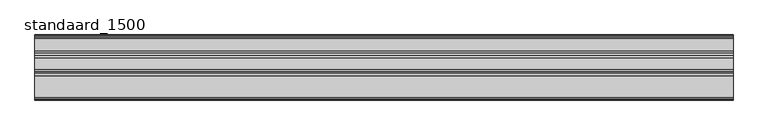
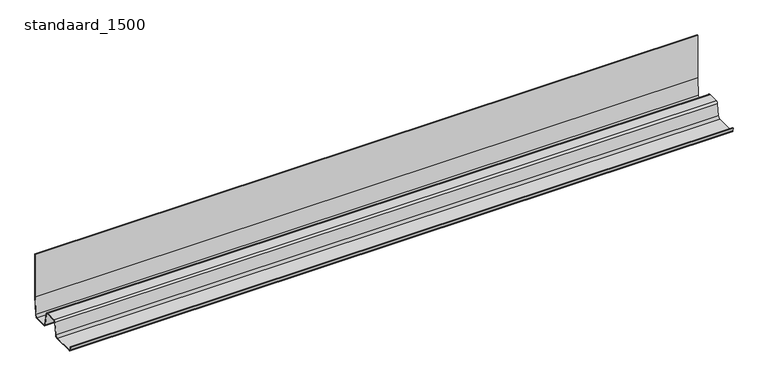
"""IFC4 building model written with IfcOpenShell, lengths in millimetres: proxy geometry, standaard_1500."""

import ifcopenshell
import ifcopenshell.guid

model = None  # the IFC model being written
_history = None  # IfcOwnerHistory: only IFC2X3 demands one
_inside = {}  # id of a spatial element -> (the spatial element, [elements in it])
_under = {}  # id of a project, library or spatial element -> (it, [spatial elements below it])
_declared = {}  # id of a project -> (the project, [libraries it declares])
_typed = {}  # id of a type object -> (the type object, [elements of that type])
_made_of = {}  # id of a material, layer set ... -> (it, [elements and type objects made of it])


def new_model(schema):
    """Start an empty IFC model of exactly this schema.

    Asked for "IFC4X3", IfcOpenShell would pick the latest addendum, in which some entities
    have other attributes; the version numbers below select the first issue.
    IFC2X3 requires an IfcOwnerHistory on every rooted entity: one is made here for all.
    """
    global model, _history
    if schema == "IFC4X3":
        model = ifcopenshell.file(schema_version=(4, 3, 0, 0))
    else:
        model = ifcopenshell.file(schema=schema)
    _inside.clear()
    _under.clear()
    _declared.clear()
    _typed.clear()
    _made_of.clear()
    _history = None
    if model.schema == "IFC2X3":
        org = make("IfcOrganization", Name="unknown")
        user = make(
            "IfcPersonAndOrganization",
            ThePerson=make("IfcPerson", FamilyName="unknown"),
            TheOrganization=org,
        )
        app = make(
            "IfcApplication",
            ApplicationDeveloper=org,
            Version="unknown",
            ApplicationFullName="unknown",
            ApplicationIdentifier="unknown",
        )
        _history = make(
            "IfcOwnerHistory",
            OwningUser=user,
            OwningApplication=app,
            ChangeAction="ADDED",
            CreationDate=0,
        )
    return model


def make(cls, **values):
    """One entity of the class cls with the attributes given. An attribute that is None is left unset."""
    return model.create_entity(
        cls, **{name: value for name, value in values.items() if value is not None}
    )


def rooted(cls, **values):
    """An entity with a GlobalId (a new one), such as an element, a storey or a relation."""
    return make(cls, GlobalId=ifcopenshell.guid.new(), OwnerHistory=_history, **values)


def si_unit(unit_type, name, prefix=None):
    """IfcSIUnit, for example si_unit("LENGTHUNIT", "METRE", prefix="MILLI")."""
    return make("IfcSIUnit", UnitType=unit_type, Prefix=prefix, Name=name)


def assignment(units):
    """IfcUnitAssignment: the units of a project."""
    return None if units is None else make("IfcUnitAssignment", Units=units)


def point(xyz):
    """IfcCartesianPoint."""
    return None if xyz is None else make("IfcCartesianPoint", Coordinates=xyz)


def direction(xyz):
    """IfcDirection."""
    return None if xyz is None else make("IfcDirection", DirectionRatios=xyz)


def frame(location, z_axis=None, x_axis=None):
    """IfcAxis2Placement3D, a coordinate frame: its origin and axes. An axis left out is left unset."""
    return make(
        "IfcAxis2Placement3D",
        Location=point(location),
        Axis=direction(z_axis),
        RefDirection=direction(x_axis),
    )


def frame_2d(location, x_axis=None):
    """IfcAxis2Placement2D, a coordinate frame in the plane: its origin and x axis."""
    return make(
        "IfcAxis2Placement2D", Location=point(location), RefDirection=direction(x_axis)
    )


def origin():
    """The frame at (0, 0, 0) with its axes left unset."""
    return frame((0.0, 0.0, 0.0))


def place(relative_to, where):
    """IfcLocalPlacement: puts the frame where relative to a parent placement (None: the world)."""
    return make(
        "IfcLocalPlacement", PlacementRelTo=relative_to, RelativePlacement=where
    )


def context(
    kind, dimensions, precision=None, world=None, true_north=None, identifier=None
):
    """IfcGeometricRepresentationContext, for example the 3D "Model" context."""
    return make(
        "IfcGeometricRepresentationContext",
        ContextIdentifier=identifier,
        ContextType=kind,
        CoordinateSpaceDimension=dimensions,
        Precision=precision,
        WorldCoordinateSystem=world,
        TrueNorth=true_north,
    )


def project(units=None, contexts=None):
    """IfcProject with its units and contexts."""
    return rooted(
        "IfcProject",
        Name="project",
        RepresentationContexts=contexts,
        UnitsInContext=assignment(units),
    )


def spatial(cls, under=None, at=None, **own):
    """A site, building, storey or space (cls), placed at a placement, below another one or the project."""
    s = rooted(cls, ObjectPlacement=at, **own)
    if under is not None:
        _under.setdefault(under.id(), (under, []))[1].append(s)
    return s


def polyline(points):
    """IfcPolyline through the points."""
    return make("IfcPolyline", Points=[point(p) for p in points])


def circle_curve(where, radius):
    """IfcCircle in the frame where."""
    return make("IfcCircle", Position=where, Radius=radius)


def trimmed(basis, trim1, trim2, sense, master):
    """IfcTrimmedCurve: the piece of a basis curve between two trims."""
    return make(
        "IfcTrimmedCurve",
        BasisCurve=basis,
        Trim1=trim1,
        Trim2=trim2,
        SenseAgreement=sense,
        MasterRepresentation=master,
    )


def segment(curve, same_sense, transition):
    """IfcCompositeCurveSegment."""
    return make(
        "IfcCompositeCurveSegment",
        Transition=transition,
        SameSense=same_sense,
        ParentCurve=curve,
    )


def composite_curve(segments, self_intersect=None):
    """IfcCompositeCurve: segments joined end to end."""
    return make("IfcCompositeCurve", Segments=segments, SelfIntersect=self_intersect)


def outline(outer, holes=None, kind="AREA"):
    """IfcArbitraryClosedProfileDef: a profile drawn as a closed curve; with holes, ...WithVoids."""
    if holes is None:
        return make("IfcArbitraryClosedProfileDef", ProfileType=kind, OuterCurve=outer)
    return make(
        "IfcArbitraryProfileDefWithVoids",
        ProfileType=kind,
        OuterCurve=outer,
        InnerCurves=holes,
    )


def extrude(swept, where, along, depth):
    """IfcExtrudedAreaSolid: the profile swept, set in the frame where, extruded along a direction by depth."""
    return make(
        "IfcExtrudedAreaSolid",
        SweptArea=swept,
        Position=where,
        ExtrudedDirection=direction(along),
        Depth=depth,
    )


def shape(context_of_items, identifier, shape_type, items):
    """IfcShapeRepresentation: the items that make up one representation, for example the "Body"."""
    return make(
        "IfcShapeRepresentation",
        ContextOfItems=context_of_items,
        RepresentationIdentifier=identifier,
        RepresentationType=shape_type,
        Items=items,
    )


def source(mapping_origin, context_of_items, identifier, shape_type, items):
    """IfcRepresentationMap: a shape defined once, which mapped items show again and again."""
    return make(
        "IfcRepresentationMap",
        MappingOrigin=mapping_origin,
        MappedRepresentation=shape(context_of_items, identifier, shape_type, items),
    )


def transform(
    local_origin,
    x_axis=None,
    y_axis=None,
    z_axis=None,
    scale=None,
    scale2=None,
    scale3=None,
    uniform=True,
):
    """IfcCartesianTransformationOperator3D, or its non-uniform kind. x_axis, y_axis, z_axis: its Axis1, 2, 3."""
    if uniform:
        return make(
            "IfcCartesianTransformationOperator3D",
            Axis1=direction(x_axis),
            Axis2=direction(y_axis),
            LocalOrigin=point(local_origin),
            Scale=scale,
            Axis3=direction(z_axis),
        )
    return make(
        "IfcCartesianTransformationOperator3DnonUniform",
        Axis1=direction(x_axis),
        Axis2=direction(y_axis),
        LocalOrigin=point(local_origin),
        Scale=scale,
        Axis3=direction(z_axis),
        Scale2=scale2,
        Scale3=scale3,
    )


def mapped(mapping_source, mapping_target):
    """IfcMappedItem: shows the shape of a source again, moved by a transform."""
    return make(
        "IfcMappedItem", MappingSource=mapping_source, MappingTarget=mapping_target
    )


def made_of(thing, what):
    """Note that an element or type object is made of a material, layer set ...; save() writes the relation."""
    if what is not None:
        _made_of.setdefault(what.id(), (what, []))[1].append(thing)
    return thing


def element(
    cls,
    number,
    at=None,
    inside=None,
    cuts=None,
    type_object=None,
    material=None,
    context=None,
    identifier="Body",
    shape_type=None,
    held_by="IfcProductDefinitionShape",
    body=None,
    shapes=None,
    **own,
):
    """One element of the class cls, such as IfcWall. Its Tag is "e" and its number.

    at: its placement. inside: the storey or other place that contains it. cuts: it is an
    opening in that element (IfcRelVoidsElement). A single representation is given by context,
    identifier, shape_type and body (its items); several are given by shapes. held_by: the class
    of the entity that holds the representations. save() writes the other relations.
    """
    e = rooted(cls, Tag="e%d" % number, ObjectPlacement=at, **own)
    if body is not None:
        shapes = [shape(context, identifier, shape_type, body)]
    if shapes is not None:
        e.Representation = make(held_by, Representations=shapes)
    if inside is not None:
        _inside.setdefault(inside.id(), (inside, []))[1].append(e)
    if cuts is not None:
        rooted(
            "IfcRelVoidsElement", RelatingBuildingElement=cuts, RelatedOpeningElement=e
        )
    if type_object is not None:
        _typed.setdefault(type_object.id(), (type_object, []))[1].append(e)
    return made_of(e, material)


def aggregate(whole, parts):
    """IfcRelAggregates: a whole, such as a stair, and the parts it consists of."""
    return rooted("IfcRelAggregates", RelatingObject=whole, RelatedObjects=parts)


def save(model, path):
    """Write the relations noted so far, then the file.

    IfcRelAggregates (storeys below a building ...), IfcRelContainedInSpatialStructure (elements
    in a storey), IfcRelDefinesByType, IfcRelAssociatesMaterial and IfcRelDeclares: one each for
    every whole, place, type object, material and project.
    """
    for whole, parts in _under.values():
        aggregate(whole, parts)
    for where, things in _inside.values():
        rooted(
            "IfcRelContainedInSpatialStructure",
            RelatedElements=things,
            RelatingStructure=where,
        )
    for kind, things in _typed.values():
        rooted("IfcRelDefinesByType", RelatedObjects=things, RelatingType=kind)
    for what, things in _made_of.values():
        rooted("IfcRelAssociatesMaterial", RelatedObjects=things, RelatingMaterial=what)
    for by, libraries in _declared.values():
        rooted("IfcRelDeclares", RelatingContext=by, RelatedDefinitions=libraries)
    model.write(path)


def standaard_1500_88f1d560(model_context):
    return source(origin(), model_context, "Body", "SweptSolid", [
        extrude(outline(composite_curve([segment(trimmed(circle_curve(frame_2d((-11.9713258, 8.1928595)), 8.0452707), [point((-7.9840978, 1.2051278))], [point((-3.9517652, 7.5501863))], True, "CARTESIAN"), True, "CONTINUOUS"), segment(polyline([(-3.9517652, 7.5501863), (-1.2, 47.8879338), (-1.2, 150.0), (0.0, 150.0), (0.0, 47.8399278), (-2.7556, 7.4543278)]), True, "CONTINUOUS"), segment(trimmed(circle_curve(frame_2d((-11.9713258, 8.1928595)), 9.2452707), [point((-2.7556, 7.4543278))], [point((-7.6873925, 0.0))], False, "CARTESIAN"), True, "CONTINUOUS"), segment(polyline([(-7.6873925, 0.0), (-34.2779751, 0.0)]), True, "CONTINUOUS"), segment(trimmed(circle_curve(frame_2d((-34.2779751, 6.413674)), 6.413674), [point((-34.2779751, 0.0))], [point((-40.4718386, 4.7489609))], False, "CARTESIAN"), True, "CONTINUOUS"), segment(polyline([(-40.4718386, 4.7489609), (-44.6906, 32.3317278)]), True, "CONTINUOUS"), segment(trimmed(circle_curve(frame_2d((-48.999464, 31.6726906)), 4.3589722), [point((-44.6906, 32.3317278))], [point((-49.4797, 36.0051278))], True, "CARTESIAN"), True, "CONTINUOUS"), segment(polyline([(-49.4797, 36.0051278), (-73.7186, 36.0051278)]), True, "CONTINUOUS"), segment(trimmed(circle_curve(frame_2d((-73.7186, 32.7842039)), 3.2209239), [point((-73.7186, 36.0051278))], [point((-76.9331, 32.9875278))], True, "CARTESIAN"), True, "CONTINUOUS"), segment(polyline([(-76.9331, 32.9875278), (-80.8691, 5.7648278)]), True, "CONTINUOUS"), segment(trimmed(circle_curve(frame_2d((-87.5273816, 6.7275169)), 6.7275169), [point((-80.8691, 5.7648278))], [point((-87.5273816, 0.0))], False, "CARTESIAN"), True, "CONTINUOUS"), segment(polyline([(-87.5273816, 0.0), (-134.0704, 0.0)]), True, "CONTINUOUS"), segment(trimmed(circle_curve(frame_2d((-134.0704, 4.9906327)), 4.9906327), [point((-134.0704, 0.0))], [point((-139.0281418, 4.4186088))], False, "CARTESIAN"), True, "CONTINUOUS"), segment(polyline([(-139.0281418, 4.4186088), (-140.0, 11.5204278), (-138.8110808, 11.6831271), (-137.8332545, 4.5376971)]), True, "CONTINUOUS"), segment(trimmed(circle_curve(frame_2d((-134.0704, 4.9957605)), 3.7906327), [point((-137.8332545, 4.5376971))], [point((-134.0704, 1.2051278))], True, "CARTESIAN"), True, "CONTINUOUS"), segment(polyline([(-134.0704, 1.2051278), (-87.2893443, 1.2051278)]), True, "CONTINUOUS"), segment(trimmed(circle_curve(frame_2d((-87.5273816, 6.7275169)), 5.5275169), [point((-87.2893443, 1.2051278))], [point((-82.0567504, 5.9365445))], True, "CARTESIAN"), True, "CONTINUOUS"), segment(polyline([(-82.0567504, 5.9365445), (-78.1271124, 33.1152423)]), True, "CONTINUOUS"), segment(trimmed(circle_curve(frame_2d((-73.7186, 32.7842039)), 4.4209239), [point((-78.1271124, 33.1152423))], [point((-73.7186, 37.2051278))], False, "CARTESIAN"), True, "CONTINUOUS"), segment(polyline([(-73.7186, 37.2051278), (-49.5419681, 37.2051278)]), True, "CONTINUOUS"), segment(trimmed(circle_curve(frame_2d((-48.999464, 31.6726906)), 5.5589722), [point((-49.5419681, 37.2051278))], [point((-43.5043945, 32.513157))], False, "CARTESIAN"), True, "CONTINUOUS"), segment(polyline([(-43.5043945, 32.513157), (-39.2979361, 5.0108287)]), True, "CONTINUOUS"), segment(trimmed(circle_curve(frame_2d((-34.2779751, 6.4188018)), 5.213674), [point((-39.2979361, 5.0108287))], [point((-34.2779751, 1.2051278))], True, "CARTESIAN"), True, "CONTINUOUS"), segment(polyline([(-34.2779751, 1.2051278), (-7.9840978, 1.2051278)]), True, "CONTINUOUS")], self_intersect=False)), frame((0.0, 0.0, 0.0), z_axis=(1.0, 0.0, 0.0), x_axis=(0.0, 1.0, 0.0)), (0.0, 0.0, 1.0), 1500.0),
    ])


if __name__ == "__main__":
    model = new_model("IFC4")
    model_context = context("Model", 3, world=origin())
    ifc_project = project(units=[si_unit("LENGTHUNIT", "METRE", prefix="MILLI")], contexts=[model_context])
    site = spatial("IfcSite", under=ifc_project)
    building = spatial("IfcBuilding", under=site)
    placement = place(None, origin())
    standaard_1500_shape = standaard_1500_88f1d560(model_context)
    element("IfcBuildingElementProxy", 1, Name="standaard_1500", ObjectType="standaard_1500", at=placement, inside=building, context=model_context, shape_type="MappedRepresentation", body=[
        mapped(standaard_1500_shape, transform((0.0, 0.0, 0.0), x_axis=(1.0, 0.0, 0.0), y_axis=(0.0, 1.0, 0.0), z_axis=(0.0, 0.0, 1.0))),
    ])
    save(model, "model.ifc")
